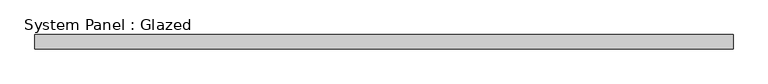
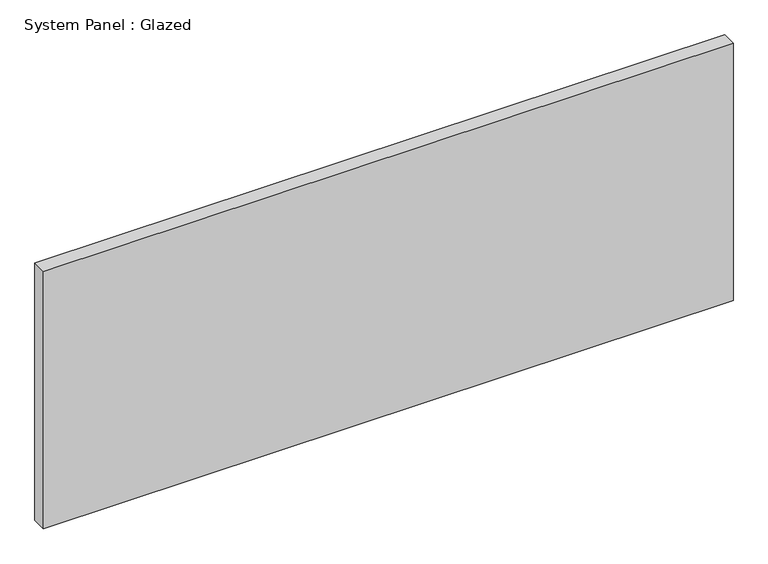
"""IFC4 building model written with IfcOpenShell, lengths in millimetres: plate geometry, System Panel : Glazed."""

from ifc_helpers import new_model, si_unit, origin, origin_with_axes, place, context, project, spatial, polyline, outline, extrude, source, transform, mapped, element, save


def system_panel_glazed_ec0172a7(model_context):
    return source(origin(), model_context, "Body", "SweptSolid", [
        extrude(outline(polyline([(601.7988874, 24.5), (-601.7988874, 24.5), (-601.7988874, 49.5), (601.7988874, 49.5), (601.7988874, 24.5)])), origin_with_axes(), (0.0, 0.0, 1.0), 475.0),
    ])


if __name__ == "__main__":
    model = new_model("IFC4")
    model_context = context("Model", 3, world=origin())
    ifc_project = project(units=[si_unit("LENGTHUNIT", "METRE", prefix="MILLI")], contexts=[model_context])
    site = spatial("IfcSite", under=ifc_project)
    building = spatial("IfcBuilding", under=site)
    placement = place(None, origin())
    system_panel_glazed_shape = system_panel_glazed_ec0172a7(model_context)
    element("IfcPlate", 1, ObjectType="System Panel : Glazed", at=placement, inside=building, context=model_context, shape_type="MappedRepresentation", body=[
        mapped(system_panel_glazed_shape, transform((0.0, 0.0, 0.0), x_axis=(1.0, 0.0, 0.0), y_axis=(0.0, 1.0, 0.0), z_axis=(0.0, 0.0, 1.0))),
    ])
    save(model, "model.ifc")
